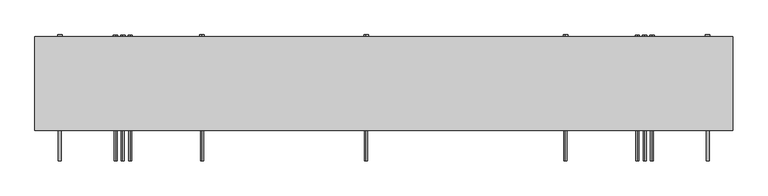
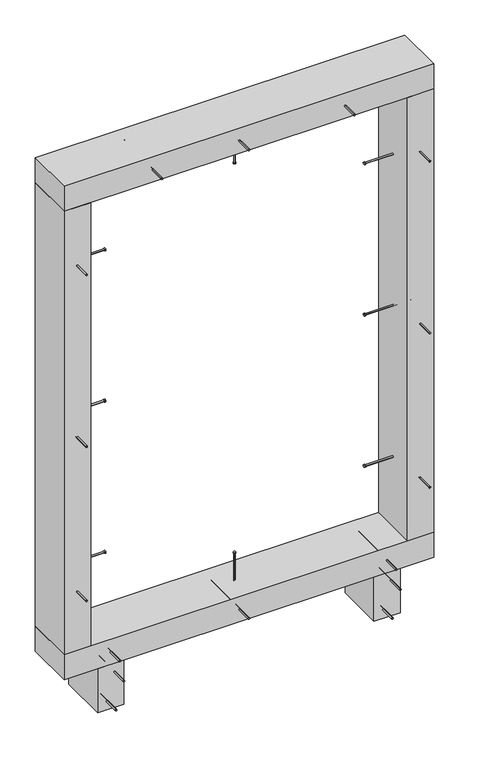
"""IFC4 building model written with IfcOpenShell, lengths in millimetres: proxy geometry."""

from ifc_helpers import new_model, si_unit, point, frame, frame_2d, origin, origin_with_axes, place, context, project, spatial, polyline, circle_curve, trimmed, segment, composite_curve, outline, extrude, source, transform, mapped, element, save


def generic_models_c2c35d8c(model_context):
    return source(origin(), model_context, "Body", "SweptSolid", [
        extrude(outline(composite_curve([segment(trimmed(circle_curve(frame_2d((-30.0, -307.5)), 2.4700592), [point((-32.4700592, -307.5))], [point((-27.5299408, -307.5))], False, "CARTESIAN"), True, "CONTINUOUS"), segment(trimmed(circle_curve(frame_2d((-30.0, -307.5)), 2.4700592), [point((-27.5299408, -307.5))], [point((-32.4700592, -307.5))], False, "CARTESIAN"), True, "CONTINUOUS")], self_intersect=False)), frame((0.0, 88.0, 0.0), z_axis=(0.0, 1.0, 0.0), x_axis=(0.0, 0.0, 1.0)), (0.0, 0.0, 1.0), 212.0),
        extrude(outline(composite_curve([segment(trimmed(circle_curve(frame_2d((-30.0, -307.5)), 3.8), [point((-33.8, -307.5))], [point((-26.2, -307.5))], False, "CARTESIAN"), True, "CONTINUOUS"), segment(trimmed(circle_curve(frame_2d((-30.0, -307.5)), 3.8), [point((-26.2, -307.5))], [point((-33.8, -307.5))], False, "CARTESIAN"), True, "CONTINUOUS")], self_intersect=False)), frame((0.0, 300.0, 0.0), z_axis=(0.0, 1.0, 0.0), x_axis=(0.0, 0.0, 1.0)), (0.0, 0.0, 1.0), 3.0),
        extrude(outline(composite_curve([segment(trimmed(circle_curve(frame_2d((-120.0, -332.5)), 2.4700592), [point((-122.4700592, -332.5))], [point((-117.5299408, -332.5))], False, "CARTESIAN"), True, "CONTINUOUS"), segment(trimmed(circle_curve(frame_2d((-120.0, -332.5)), 2.4700592), [point((-117.5299408, -332.5))], [point((-122.4700592, -332.5))], False, "CARTESIAN"), True, "CONTINUOUS")], self_intersect=False)), frame((0.0, 88.0, 0.0), z_axis=(0.0, 1.0, 0.0), x_axis=(0.0, 0.0, 1.0)), (0.0, 0.0, 1.0), 212.0),
        extrude(outline(composite_curve([segment(trimmed(circle_curve(frame_2d((-120.0, -332.5)), 3.8), [point((-123.8, -332.5))], [point((-116.2, -332.5))], False, "CARTESIAN"), True, "CONTINUOUS"), segment(trimmed(circle_curve(frame_2d((-120.0, -332.5)), 3.8), [point((-116.2, -332.5))], [point((-123.8, -332.5))], False, "CARTESIAN"), True, "CONTINUOUS")], self_intersect=False)), frame((0.0, 300.0, 0.0), z_axis=(0.0, 1.0, 0.0), x_axis=(0.0, 0.0, 1.0)), (0.0, 0.0, 1.0), 3.0),
        extrude(outline(composite_curve([segment(trimmed(circle_curve(frame_2d((-30.0, 582.5)), 2.4700592), [point((-32.4700592, 582.5))], [point((-27.5299408, 582.5))], False, "CARTESIAN"), True, "CONTINUOUS"), segment(trimmed(circle_curve(frame_2d((-30.0, 582.5)), 2.4700592), [point((-27.5299408, 582.5))], [point((-32.4700592, 582.5))], False, "CARTESIAN"), True, "CONTINUOUS")], self_intersect=False)), frame((0.0, 88.0, 0.0), z_axis=(0.0, 1.0, 0.0), x_axis=(0.0, 0.0, 1.0)), (0.0, 0.0, 1.0), 212.0),
        extrude(outline(composite_curve([segment(trimmed(circle_curve(frame_2d((-30.0, 582.5)), 3.8), [point((-33.8, 582.5))], [point((-26.2, 582.5))], False, "CARTESIAN"), True, "CONTINUOUS"), segment(trimmed(circle_curve(frame_2d((-30.0, 582.5)), 3.8), [point((-26.2, 582.5))], [point((-33.8, 582.5))], False, "CARTESIAN"), True, "CONTINUOUS")], self_intersect=False)), frame((0.0, 300.0, 0.0), z_axis=(0.0, 1.0, 0.0), x_axis=(0.0, 0.0, 1.0)), (0.0, 0.0, 1.0), 3.0),
        extrude(outline(composite_curve([segment(trimmed(circle_curve(frame_2d((-120.0, 557.5)), 2.4700592), [point((-122.4700592, 557.5))], [point((-117.5299408, 557.5))], False, "CARTESIAN"), True, "CONTINUOUS"), segment(trimmed(circle_curve(frame_2d((-120.0, 557.5)), 2.4700592), [point((-117.5299408, 557.5))], [point((-122.4700592, 557.5))], False, "CARTESIAN"), True, "CONTINUOUS")], self_intersect=False)), frame((0.0, 88.0, 0.0), z_axis=(0.0, 1.0, 0.0), x_axis=(0.0, 0.0, 1.0)), (0.0, 0.0, 1.0), 212.0),
        extrude(outline(composite_curve([segment(trimmed(circle_curve(frame_2d((-120.0, 557.5)), 3.8), [point((-123.8, 557.5))], [point((-116.2, 557.5))], False, "CARTESIAN"), True, "CONTINUOUS"), segment(trimmed(circle_curve(frame_2d((-120.0, 557.5)), 3.8), [point((-116.2, 557.5))], [point((-123.8, 557.5))], False, "CARTESIAN"), True, "CONTINUOUS")], self_intersect=False)), frame((0.0, 300.0, 0.0), z_axis=(0.0, 1.0, 0.0), x_axis=(0.0, 0.0, 1.0)), (0.0, 0.0, 1.0), 3.0),
        extrude(outline(composite_curve([segment(trimmed(circle_curve(frame_2d((125.0, 220.0)), 2.4700592), [point((125.0, 217.5299408))], [point((125.0, 222.4700592))], False, "CARTESIAN"), True, "CONTINUOUS"), segment(trimmed(circle_curve(frame_2d((125.0, 220.0)), 2.4700592), [point((125.0, 222.4700592))], [point((125.0, 217.5299408))], False, "CARTESIAN"), True, "CONTINUOUS")], self_intersect=False)), frame((0.0, 0.0, 25.0), z_axis=(0.0, 0.0, 1.0), x_axis=(1.0, 0.0, 0.0)), (0.0, 0.0, 1.0), 150.0),
        extrude(outline(composite_curve([segment(trimmed(circle_curve(frame_2d((125.0, 220.0)), 3.8), [point((125.0, 216.2))], [point((125.0, 223.8))], False, "CARTESIAN"), True, "CONTINUOUS"), segment(trimmed(circle_curve(frame_2d((125.0, 220.0)), 3.8), [point((125.0, 223.8))], [point((125.0, 216.2))], False, "CARTESIAN"), True, "CONTINUOUS")], self_intersect=False)), frame((0.0, 0.0, 175.0), z_axis=(0.0, 0.0, 1.0), x_axis=(1.0, 0.0, 0.0)), (0.0, 0.0, 1.0), 3.0),
        extrude(outline(composite_curve([segment(trimmed(circle_curve(frame_2d((42.5, 95.0)), 2.4700592), [point((44.9700592, 95.0))], [point((40.0299408, 95.0))], False, "CARTESIAN"), True, "CONTINUOUS"), segment(trimmed(circle_curve(frame_2d((42.5, 95.0)), 2.4700592), [point((40.0299408, 95.0))], [point((44.9700592, 95.0))], False, "CARTESIAN"), True, "CONTINUOUS")], self_intersect=False)), frame((0.0, 88.0, 0.0), z_axis=(0.0, 1.0, 0.0), x_axis=(0.0, 0.0, 1.0)), (0.0, 0.0, 1.0), 212.0),
        extrude(outline(composite_curve([segment(trimmed(circle_curve(frame_2d((42.5, 95.0)), 3.8), [point((46.3, 95.0))], [point((38.7, 95.0))], False, "CARTESIAN"), True, "CONTINUOUS"), segment(trimmed(circle_curve(frame_2d((42.5, 95.0)), 3.8), [point((38.7, 95.0))], [point((46.3, 95.0))], False, "CARTESIAN"), True, "CONTINUOUS")], self_intersect=False)), frame((0.0, 300.0, 0.0), z_axis=(0.0, 1.0, 0.0), x_axis=(0.0, 0.0, 1.0)), (0.0, 0.0, 1.0), 3.0),
        extrude(outline(composite_curve([segment(trimmed(circle_curve(frame_2d((42.5, -320.0)), 2.4700592), [point((44.9700592, -320.0))], [point((40.0299408, -320.0))], False, "CARTESIAN"), True, "CONTINUOUS"), segment(trimmed(circle_curve(frame_2d((42.5, -320.0)), 2.4700592), [point((40.0299408, -320.0))], [point((44.9700592, -320.0))], False, "CARTESIAN"), True, "CONTINUOUS")], self_intersect=False)), frame((0.0, 88.0, 0.0), z_axis=(0.0, 1.0, 0.0), x_axis=(0.0, 0.0, 1.0)), (0.0, 0.0, 1.0), 212.0),
        extrude(outline(composite_curve([segment(trimmed(circle_curve(frame_2d((42.5, -320.0)), 3.8), [point((46.3, -320.0))], [point((38.7, -320.0))], False, "CARTESIAN"), True, "CONTINUOUS"), segment(trimmed(circle_curve(frame_2d((42.5, -320.0)), 3.8), [point((38.7, -320.0))], [point((46.3, -320.0))], False, "CARTESIAN"), True, "CONTINUOUS")], self_intersect=False)), frame((0.0, 300.0, 0.0), z_axis=(0.0, 1.0, 0.0), x_axis=(0.0, 0.0, 1.0)), (0.0, 0.0, 1.0), 3.0),
        extrude(outline(composite_curve([segment(trimmed(circle_curve(frame_2d((42.5, 570.0)), 2.4700592), [point((44.9700592, 570.0))], [point((40.0299408, 570.0))], False, "CARTESIAN"), True, "CONTINUOUS"), segment(trimmed(circle_curve(frame_2d((42.5, 570.0)), 2.4700592), [point((40.0299408, 570.0))], [point((44.9700592, 570.0))], False, "CARTESIAN"), True, "CONTINUOUS")], self_intersect=False)), frame((0.0, 88.0, 0.0), z_axis=(0.0, 1.0, 0.0), x_axis=(0.0, 0.0, 1.0)), (0.0, 0.0, 1.0), 212.0),
        extrude(outline(composite_curve([segment(trimmed(circle_curve(frame_2d((42.5, 570.0)), 3.8), [point((46.3, 570.0))], [point((38.7, 570.0))], False, "CARTESIAN"), True, "CONTINUOUS"), segment(trimmed(circle_curve(frame_2d((42.5, 570.0)), 3.8), [point((38.7, 570.0))], [point((46.3, 570.0))], False, "CARTESIAN"), True, "CONTINUOUS")], self_intersect=False)), frame((0.0, 300.0, 0.0), z_axis=(0.0, 1.0, 0.0), x_axis=(0.0, 0.0, 1.0)), (0.0, 0.0, 1.0), 3.0),
        extrude(outline(polyline([(720.0, 140.0), (-470.0, 140.0), (-470.0, 300.0), (720.0, 300.0), (720.0, 140.0)])), origin_with_axes(), (0.0, 0.0, 1.0), 85.0),
        extrude(outline(composite_curve([segment(trimmed(circle_curve(frame_2d((220.0, 325.0)), 2.4700592), [point((217.5299408, 325.0))], [point((222.4700592, 325.0))], False, "CARTESIAN"), True, "CONTINUOUS"), segment(trimmed(circle_curve(frame_2d((220.0, 325.0)), 2.4700592), [point((222.4700592, 325.0))], [point((217.5299408, 325.0))], False, "CARTESIAN"), True, "CONTINUOUS")], self_intersect=False)), frame((-445.0, 0.0, 0.0), z_axis=(1.0, 0.0, 0.0), x_axis=(0.0, 1.0, 0.0)), (0.0, 0.0, 1.0), 150.0),
        extrude(outline(composite_curve([segment(trimmed(circle_curve(frame_2d((220.0, 325.0)), 3.8), [point((216.2, 325.0))], [point((223.8, 325.0))], False, "CARTESIAN"), True, "CONTINUOUS"), segment(trimmed(circle_curve(frame_2d((220.0, 325.0)), 3.8), [point((223.8, 325.0))], [point((216.2, 325.0))], False, "CARTESIAN"), True, "CONTINUOUS")], self_intersect=False)), frame((-295.0, 0.0, 0.0), z_axis=(1.0, 0.0, 0.0), x_axis=(0.0, 1.0, 0.0)), (0.0, 0.0, 1.0), 3.0),
        extrude(outline(composite_curve([segment(trimmed(circle_curve(frame_2d((220.0, 1355.0)), 2.4700592), [point((217.5299408, 1355.0))], [point((222.4700592, 1355.0))], False, "CARTESIAN"), True, "CONTINUOUS"), segment(trimmed(circle_curve(frame_2d((220.0, 1355.0)), 2.4700592), [point((222.4700592, 1355.0))], [point((217.5299408, 1355.0))], False, "CARTESIAN"), True, "CONTINUOUS")], self_intersect=False)), frame((-445.0, 0.0, 0.0), z_axis=(1.0, 0.0, 0.0), x_axis=(0.0, 1.0, 0.0)), (0.0, 0.0, 1.0), 150.0),
        extrude(outline(composite_curve([segment(trimmed(circle_curve(frame_2d((220.0, 1355.0)), 3.8), [point((216.2, 1355.0))], [point((223.8, 1355.0))], False, "CARTESIAN"), True, "CONTINUOUS"), segment(trimmed(circle_curve(frame_2d((220.0, 1355.0)), 3.8), [point((223.8, 1355.0))], [point((216.2, 1355.0))], False, "CARTESIAN"), True, "CONTINUOUS")], self_intersect=False)), frame((-295.0, 0.0, 0.0), z_axis=(1.0, 0.0, 0.0), x_axis=(0.0, 1.0, 0.0)), (0.0, 0.0, 1.0), 3.0),
        extrude(outline(composite_curve([segment(trimmed(circle_curve(frame_2d((810.0, -427.5)), 2.4700592), [point((810.0, -429.9700592))], [point((810.0, -425.0299408))], False, "CARTESIAN"), True, "CONTINUOUS"), segment(trimmed(circle_curve(frame_2d((810.0, -427.5)), 2.4700592), [point((810.0, -425.0299408))], [point((810.0, -429.9700592))], False, "CARTESIAN"), True, "CONTINUOUS")], self_intersect=False)), frame((0.0, 88.0, 0.0), z_axis=(0.0, 1.0, 0.0), x_axis=(0.0, 0.0, 1.0)), (0.0, 0.0, 1.0), 212.0),
        extrude(outline(composite_curve([segment(trimmed(circle_curve(frame_2d((810.0, -427.5)), 3.8), [point((810.0, -431.3))], [point((810.0, -423.7))], False, "CARTESIAN"), True, "CONTINUOUS"), segment(trimmed(circle_curve(frame_2d((810.0, -427.5)), 3.8), [point((810.0, -423.7))], [point((810.0, -431.3))], False, "CARTESIAN"), True, "CONTINUOUS")], self_intersect=False)), frame((0.0, 300.0, 0.0), z_axis=(0.0, 1.0, 0.0), x_axis=(0.0, 0.0, 1.0)), (0.0, 0.0, 1.0), 3.0),
        extrude(outline(composite_curve([segment(trimmed(circle_curve(frame_2d((220.0, 840.0)), 2.4700592), [point((217.5299408, 840.0))], [point((222.4700592, 840.0))], False, "CARTESIAN"), True, "CONTINUOUS"), segment(trimmed(circle_curve(frame_2d((220.0, 840.0)), 2.4700592), [point((222.4700592, 840.0))], [point((217.5299408, 840.0))], False, "CARTESIAN"), True, "CONTINUOUS")], self_intersect=False)), frame((-445.0, 0.0, 0.0), z_axis=(1.0, 0.0, 0.0), x_axis=(0.0, 1.0, 0.0)), (0.0, 0.0, 1.0), 150.0),
        extrude(outline(composite_curve([segment(trimmed(circle_curve(frame_2d((220.0, 840.0)), 3.8), [point((216.2, 840.0))], [point((223.8, 840.0))], False, "CARTESIAN"), True, "CONTINUOUS"), segment(trimmed(circle_curve(frame_2d((220.0, 840.0)), 3.8), [point((223.8, 840.0))], [point((216.2, 840.0))], False, "CARTESIAN"), True, "CONTINUOUS")], self_intersect=False)), frame((-295.0, 0.0, 0.0), z_axis=(1.0, 0.0, 0.0), x_axis=(0.0, 1.0, 0.0)), (0.0, 0.0, 1.0), 3.0),
        extrude(outline(composite_curve([segment(trimmed(circle_curve(frame_2d((1395.0, -427.5)), 2.4700592), [point((1395.0, -429.9700592))], [point((1395.0, -425.0299408))], False, "CARTESIAN"), True, "CONTINUOUS"), segment(trimmed(circle_curve(frame_2d((1395.0, -427.5)), 2.4700592), [point((1395.0, -425.0299408))], [point((1395.0, -429.9700592))], False, "CARTESIAN"), True, "CONTINUOUS")], self_intersect=False)), frame((0.0, 88.0, 0.0), z_axis=(0.0, 1.0, 0.0), x_axis=(0.0, 0.0, 1.0)), (0.0, 0.0, 1.0), 212.0),
        extrude(outline(composite_curve([segment(trimmed(circle_curve(frame_2d((1395.0, -427.5)), 3.8), [point((1395.0, -431.3))], [point((1395.0, -423.7))], False, "CARTESIAN"), True, "CONTINUOUS"), segment(trimmed(circle_curve(frame_2d((1395.0, -427.5)), 3.8), [point((1395.0, -423.7))], [point((1395.0, -431.3))], False, "CARTESIAN"), True, "CONTINUOUS")], self_intersect=False)), frame((0.0, 300.0, 0.0), z_axis=(0.0, 1.0, 0.0), x_axis=(0.0, 0.0, 1.0)), (0.0, 0.0, 1.0), 3.0),
        extrude(outline(composite_curve([segment(trimmed(circle_curve(frame_2d((285.0, -427.5)), 2.4700592), [point((285.0, -429.9700592))], [point((285.0, -425.0299408))], False, "CARTESIAN"), True, "CONTINUOUS"), segment(trimmed(circle_curve(frame_2d((285.0, -427.5)), 2.4700592), [point((285.0, -425.0299408))], [point((285.0, -429.9700592))], False, "CARTESIAN"), True, "CONTINUOUS")], self_intersect=False)), frame((0.0, 88.0, 0.0), z_axis=(0.0, 1.0, 0.0), x_axis=(0.0, 0.0, 1.0)), (0.0, 0.0, 1.0), 212.0),
        extrude(outline(composite_curve([segment(trimmed(circle_curve(frame_2d((285.0, -427.5)), 3.8), [point((285.0, -431.3))], [point((285.0, -423.7))], False, "CARTESIAN"), True, "CONTINUOUS"), segment(trimmed(circle_curve(frame_2d((285.0, -427.5)), 3.8), [point((285.0, -423.7))], [point((285.0, -431.3))], False, "CARTESIAN"), True, "CONTINUOUS")], self_intersect=False)), frame((0.0, 300.0, 0.0), z_axis=(0.0, 1.0, 0.0), x_axis=(0.0, 0.0, 1.0)), (0.0, 0.0, 1.0), 3.0),
        extrude(outline(polyline([(-470.0, 140.0), (-470.0, 300.0), (-385.0, 300.0), (-385.0, 140.0), (-470.0, 140.0)])), frame((0.0, 0.0, 85.0), z_axis=(0.0, 0.0, 1.0), x_axis=(1.0, 0.0, 0.0)), (0.0, 0.0, 1.0), 1510.0),
        extrude(outline(composite_curve([segment(trimmed(circle_curve(frame_2d((220.0, 325.0)), 2.4700592), [point((217.5299408, 325.0))], [point((222.4700592, 325.0))], False, "CARTESIAN"), True, "CONTINUOUS"), segment(trimmed(circle_curve(frame_2d((220.0, 325.0)), 2.4700592), [point((222.4700592, 325.0))], [point((217.5299408, 325.0))], False, "CARTESIAN"), True, "CONTINUOUS")], self_intersect=False)), frame((545.0, 0.0, 0.0), z_axis=(1.0, 0.0, 0.0), x_axis=(0.0, 1.0, 0.0)), (0.0, 0.0, 1.0), 150.0),
        extrude(outline(composite_curve([segment(trimmed(circle_curve(frame_2d((220.0, 325.0)), 3.8), [point((216.2, 325.0))], [point((223.8, 325.0))], False, "CARTESIAN"), True, "CONTINUOUS"), segment(trimmed(circle_curve(frame_2d((220.0, 325.0)), 3.8), [point((223.8, 325.0))], [point((216.2, 325.0))], False, "CARTESIAN"), True, "CONTINUOUS")], self_intersect=False)), frame((542.0, 0.0, 0.0), z_axis=(1.0, 0.0, 0.0), x_axis=(0.0, 1.0, 0.0)), (0.0, 0.0, 1.0), 3.0),
        extrude(outline(composite_curve([segment(trimmed(circle_curve(frame_2d((220.0, 1355.0)), 2.4700592), [point((217.5299408, 1355.0))], [point((222.4700592, 1355.0))], False, "CARTESIAN"), True, "CONTINUOUS"), segment(trimmed(circle_curve(frame_2d((220.0, 1355.0)), 2.4700592), [point((222.4700592, 1355.0))], [point((217.5299408, 1355.0))], False, "CARTESIAN"), True, "CONTINUOUS")], self_intersect=False)), frame((545.0, 0.0, 0.0), z_axis=(1.0, 0.0, 0.0), x_axis=(0.0, 1.0, 0.0)), (0.0, 0.0, 1.0), 150.0),
        extrude(outline(composite_curve([segment(trimmed(circle_curve(frame_2d((220.0, 1355.0)), 3.8), [point((216.2, 1355.0))], [point((223.8, 1355.0))], False, "CARTESIAN"), True, "CONTINUOUS"), segment(trimmed(circle_curve(frame_2d((220.0, 1355.0)), 3.8), [point((223.8, 1355.0))], [point((216.2, 1355.0))], False, "CARTESIAN"), True, "CONTINUOUS")], self_intersect=False)), frame((542.0, 0.0, 0.0), z_axis=(1.0, 0.0, 0.0), x_axis=(0.0, 1.0, 0.0)), (0.0, 0.0, 1.0), 3.0),
        extrude(outline(composite_curve([segment(trimmed(circle_curve(frame_2d((810.0, 677.5)), 2.4700592), [point((810.0, 679.9700592))], [point((810.0, 675.0299408))], False, "CARTESIAN"), True, "CONTINUOUS"), segment(trimmed(circle_curve(frame_2d((810.0, 677.5)), 2.4700592), [point((810.0, 675.0299408))], [point((810.0, 679.9700592))], False, "CARTESIAN"), True, "CONTINUOUS")], self_intersect=False)), frame((0.0, 88.0, 0.0), z_axis=(0.0, 1.0, 0.0), x_axis=(0.0, 0.0, 1.0)), (0.0, 0.0, 1.0), 212.0),
        extrude(outline(composite_curve([segment(trimmed(circle_curve(frame_2d((810.0, 677.5)), 3.8), [point((810.0, 681.3))], [point((810.0, 673.7))], False, "CARTESIAN"), True, "CONTINUOUS"), segment(trimmed(circle_curve(frame_2d((810.0, 677.5)), 3.8), [point((810.0, 673.7))], [point((810.0, 681.3))], False, "CARTESIAN"), True, "CONTINUOUS")], self_intersect=False)), frame((0.0, 300.0, 0.0), z_axis=(0.0, 1.0, 0.0), x_axis=(0.0, 0.0, 1.0)), (0.0, 0.0, 1.0), 3.0),
        extrude(outline(composite_curve([segment(trimmed(circle_curve(frame_2d((220.0, 840.0)), 2.4700592), [point((217.5299408, 840.0))], [point((222.4700592, 840.0))], False, "CARTESIAN"), True, "CONTINUOUS"), segment(trimmed(circle_curve(frame_2d((220.0, 840.0)), 2.4700592), [point((222.4700592, 840.0))], [point((217.5299408, 840.0))], False, "CARTESIAN"), True, "CONTINUOUS")], self_intersect=False)), frame((545.0, 0.0, 0.0), z_axis=(1.0, 0.0, 0.0), x_axis=(0.0, 1.0, 0.0)), (0.0, 0.0, 1.0), 150.0),
        extrude(outline(composite_curve([segment(trimmed(circle_curve(frame_2d((220.0, 840.0)), 3.8), [point((216.2, 840.0))], [point((223.8, 840.0))], False, "CARTESIAN"), True, "CONTINUOUS"), segment(trimmed(circle_curve(frame_2d((220.0, 840.0)), 3.8), [point((223.8, 840.0))], [point((216.2, 840.0))], False, "CARTESIAN"), True, "CONTINUOUS")], self_intersect=False)), frame((542.0, 0.0, 0.0), z_axis=(1.0, 0.0, 0.0), x_axis=(0.0, 1.0, 0.0)), (0.0, 0.0, 1.0), 3.0),
        extrude(outline(composite_curve([segment(trimmed(circle_curve(frame_2d((1395.0, 677.5)), 2.4700592), [point((1395.0, 679.9700592))], [point((1395.0, 675.0299408))], False, "CARTESIAN"), True, "CONTINUOUS"), segment(trimmed(circle_curve(frame_2d((1395.0, 677.5)), 2.4700592), [point((1395.0, 675.0299408))], [point((1395.0, 679.9700592))], False, "CARTESIAN"), True, "CONTINUOUS")], self_intersect=False)), frame((0.0, 88.0, 0.0), z_axis=(0.0, 1.0, 0.0), x_axis=(0.0, 0.0, 1.0)), (0.0, 0.0, 1.0), 212.0),
        extrude(outline(composite_curve([segment(trimmed(circle_curve(frame_2d((1395.0, 677.5)), 3.8), [point((1395.0, 681.3))], [point((1395.0, 673.7))], False, "CARTESIAN"), True, "CONTINUOUS"), segment(trimmed(circle_curve(frame_2d((1395.0, 677.5)), 3.8), [point((1395.0, 673.7))], [point((1395.0, 681.3))], False, "CARTESIAN"), True, "CONTINUOUS")], self_intersect=False)), frame((0.0, 300.0, 0.0), z_axis=(0.0, 1.0, 0.0), x_axis=(0.0, 0.0, 1.0)), (0.0, 0.0, 1.0), 3.0),
        extrude(outline(composite_curve([segment(trimmed(circle_curve(frame_2d((285.0, 677.5)), 2.4700592), [point((285.0, 679.9700592))], [point((285.0, 675.0299408))], False, "CARTESIAN"), True, "CONTINUOUS"), segment(trimmed(circle_curve(frame_2d((285.0, 677.5)), 2.4700592), [point((285.0, 675.0299408))], [point((285.0, 679.9700592))], False, "CARTESIAN"), True, "CONTINUOUS")], self_intersect=False)), frame((0.0, 88.0, 0.0), z_axis=(0.0, 1.0, 0.0), x_axis=(0.0, 0.0, 1.0)), (0.0, 0.0, 1.0), 212.0),
        extrude(outline(composite_curve([segment(trimmed(circle_curve(frame_2d((285.0, 677.5)), 3.8), [point((285.0, 681.3))], [point((285.0, 673.7))], False, "CARTESIAN"), True, "CONTINUOUS"), segment(trimmed(circle_curve(frame_2d((285.0, 677.5)), 3.8), [point((285.0, 673.7))], [point((285.0, 681.3))], False, "CARTESIAN"), True, "CONTINUOUS")], self_intersect=False)), frame((0.0, 300.0, 0.0), z_axis=(0.0, 1.0, 0.0), x_axis=(0.0, 0.0, 1.0)), (0.0, 0.0, 1.0), 3.0),
        extrude(outline(polyline([(720.0, 140.0), (635.0, 140.0), (635.0, 300.0), (720.0, 300.0), (720.0, 140.0)])), frame((0.0, 0.0, 85.0), z_axis=(0.0, 0.0, 1.0), x_axis=(1.0, 0.0, 0.0)), (0.0, 0.0, 1.0), 1510.0),
        extrude(outline(composite_curve([segment(trimmed(circle_curve(frame_2d((1637.5, 95.0)), 2.4700592), [point((1639.9700592, 95.0))], [point((1635.0299408, 95.0))], False, "CARTESIAN"), True, "CONTINUOUS"), segment(trimmed(circle_curve(frame_2d((1637.5, 95.0)), 2.4700592), [point((1635.0299408, 95.0))], [point((1639.9700592, 95.0))], False, "CARTESIAN"), True, "CONTINUOUS")], self_intersect=False)), frame((0.0, 88.0, 0.0), z_axis=(0.0, 1.0, 0.0), x_axis=(0.0, 0.0, 1.0)), (0.0, 0.0, 1.0), 212.0),
        extrude(outline(composite_curve([segment(trimmed(circle_curve(frame_2d((1637.5, 95.0)), 3.8), [point((1641.3, 95.0))], [point((1633.7, 95.0))], False, "CARTESIAN"), True, "CONTINUOUS"), segment(trimmed(circle_curve(frame_2d((1637.5, 95.0)), 3.8), [point((1633.7, 95.0))], [point((1641.3, 95.0))], False, "CARTESIAN"), True, "CONTINUOUS")], self_intersect=False)), frame((0.0, 300.0, 0.0), z_axis=(0.0, 1.0, 0.0), x_axis=(0.0, 0.0, 1.0)), (0.0, 0.0, 1.0), 3.0),
        extrude(outline(composite_curve([segment(trimmed(circle_curve(frame_2d((125.0, 220.0)), 2.4700592), [point((125.0, 217.5299408))], [point((125.0, 222.4700592))], False, "CARTESIAN"), True, "CONTINUOUS"), segment(trimmed(circle_curve(frame_2d((125.0, 220.0)), 2.4700592), [point((125.0, 222.4700592))], [point((125.0, 217.5299408))], False, "CARTESIAN"), True, "CONTINUOUS")], self_intersect=False)), frame((0.0, 0.0, 1505.0), z_axis=(0.0, 0.0, 1.0), x_axis=(1.0, 0.0, 0.0)), (0.0, 0.0, 1.0), 150.0),
        extrude(outline(composite_curve([segment(trimmed(circle_curve(frame_2d((125.0, 220.0)), 3.8), [point((125.0, 216.2))], [point((125.0, 223.8))], False, "CARTESIAN"), True, "CONTINUOUS"), segment(trimmed(circle_curve(frame_2d((125.0, 220.0)), 3.8), [point((125.0, 223.8))], [point((125.0, 216.2))], False, "CARTESIAN"), True, "CONTINUOUS")], self_intersect=False)), frame((0.0, 0.0, 1502.0), z_axis=(0.0, 0.0, 1.0), x_axis=(1.0, 0.0, 0.0)), (0.0, 0.0, 1.0), 3.0),
        extrude(outline(composite_curve([segment(trimmed(circle_curve(frame_2d((1637.5, -185.0)), 2.4700592), [point((1639.9700592, -185.0))], [point((1635.0299408, -185.0))], False, "CARTESIAN"), True, "CONTINUOUS"), segment(trimmed(circle_curve(frame_2d((1637.5, -185.0)), 2.4700592), [point((1635.0299408, -185.0))], [point((1639.9700592, -185.0))], False, "CARTESIAN"), True, "CONTINUOUS")], self_intersect=False)), frame((0.0, 88.0, 0.0), z_axis=(0.0, 1.0, 0.0), x_axis=(0.0, 0.0, 1.0)), (0.0, 0.0, 1.0), 212.0),
        extrude(outline(composite_curve([segment(trimmed(circle_curve(frame_2d((1637.5, -185.0)), 3.8), [point((1641.3, -185.0))], [point((1633.7, -185.0))], False, "CARTESIAN"), True, "CONTINUOUS"), segment(trimmed(circle_curve(frame_2d((1637.5, -185.0)), 3.8), [point((1633.7, -185.0))], [point((1641.3, -185.0))], False, "CARTESIAN"), True, "CONTINUOUS")], self_intersect=False)), frame((0.0, 300.0, 0.0), z_axis=(0.0, 1.0, 0.0), x_axis=(0.0, 0.0, 1.0)), (0.0, 0.0, 1.0), 3.0),
        extrude(outline(composite_curve([segment(trimmed(circle_curve(frame_2d((1637.5, 435.0)), 2.4700592), [point((1639.9700592, 435.0))], [point((1635.0299408, 435.0))], False, "CARTESIAN"), True, "CONTINUOUS"), segment(trimmed(circle_curve(frame_2d((1637.5, 435.0)), 2.4700592), [point((1635.0299408, 435.0))], [point((1639.9700592, 435.0))], False, "CARTESIAN"), True, "CONTINUOUS")], self_intersect=False)), frame((0.0, 88.0, 0.0), z_axis=(0.0, 1.0, 0.0), x_axis=(0.0, 0.0, 1.0)), (0.0, 0.0, 1.0), 212.0),
        extrude(outline(composite_curve([segment(trimmed(circle_curve(frame_2d((1637.5, 435.0)), 3.8), [point((1641.3, 435.0))], [point((1633.7, 435.0))], False, "CARTESIAN"), True, "CONTINUOUS"), segment(trimmed(circle_curve(frame_2d((1637.5, 435.0)), 3.8), [point((1633.7, 435.0))], [point((1641.3, 435.0))], False, "CARTESIAN"), True, "CONTINUOUS")], self_intersect=False)), frame((0.0, 300.0, 0.0), z_axis=(0.0, 1.0, 0.0), x_axis=(0.0, 0.0, 1.0)), (0.0, 0.0, 1.0), 3.0),
        extrude(outline(polyline([(720.0, 140.0), (-470.0, 140.0), (-470.0, 300.0), (720.0, 300.0), (720.0, 140.0)])), frame((0.0, 0.0, 1595.0), z_axis=(0.0, 0.0, 1.0), x_axis=(1.0, 0.0, 0.0)), (0.0, 0.0, 1.0), 85.0),
        extrude(outline(polyline([(612.5, 140.0), (527.5, 140.0), (527.5, 300.0), (612.5, 300.0), (612.5, 140.0)])), frame((0.0, 0.0, -150.0), z_axis=(0.0, 0.0, 1.0), x_axis=(1.0, 0.0, 0.0)), (0.0, 0.0, 1.0), 150.0),
        extrude(outline(polyline([(-277.5, 140.0), (-362.5, 140.0), (-362.5, 300.0), (-277.5, 300.0), (-277.5, 140.0)])), frame((0.0, 0.0, -150.0), z_axis=(0.0, 0.0, 1.0), x_axis=(1.0, 0.0, 0.0)), (0.0, 0.0, 1.0), 150.0),
    ])


if __name__ == "__main__":
    model = new_model("IFC4")
    model_context = context("Model", 3, world=origin())
    ifc_project = project(units=[si_unit("LENGTHUNIT", "METRE", prefix="MILLI")], contexts=[model_context])
    site = spatial("IfcSite", under=ifc_project)
    building = spatial("IfcBuilding", under=site)
    placement = place(None, origin())
    generic_models_shape = generic_models_c2c35d8c(model_context)
    element("IfcBuildingElementProxy", 1, Name="Generic Models", at=placement, inside=building, context=model_context, shape_type="MappedRepresentation", body=[
        mapped(generic_models_shape, transform((0.0, 0.0, 0.0), x_axis=(1.0, 0.0, 0.0), y_axis=(0.0, 1.0, 0.0), z_axis=(0.0, 0.0, 1.0))),
    ])
    save(model, "model.ifc")
